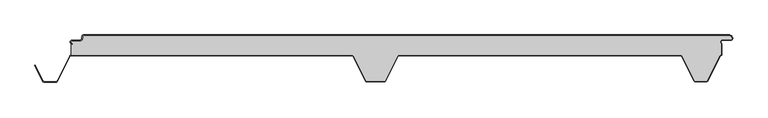
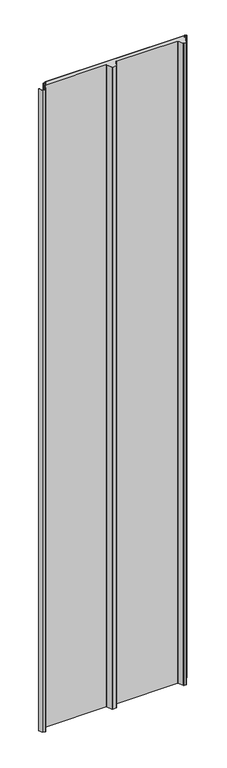
"""IFC4 building model written with IfcOpenShell, lengths in millimetres: proxy geometry."""

from ifc_helpers import new_model, si_unit, point, frame, frame_2d, origin, origin_with_axes, place, context, project, spatial, polyline, circle_curve, trimmed, segment, composite_curve, outline, extrude, source, transform, mapped, element, save
from ifc_brep_helpers import plane_surface, cylinder_surface, revolved_surface, advanced_brep


def generic_models_9d17c73b(model_context):
    return source(origin(), model_context, "Body", "SolidModel", [
        extrude(outline(composite_curve([segment(polyline([(548.7649646, -5.5), (547.9649646, -5.5)]), True, "CONTINUOUS"), segment(trimmed(circle_curve(frame_2d((543.2649646, -5.5)), 4.7), [point((547.9649646, -5.5))], [point((543.2649646, -0.8))], True, "CARTESIAN"), True, "CONTINUOUS"), segment(polyline([(543.2649646, -0.8), (-448.7436881, -0.8)]), True, "CONTINUOUS"), segment(trimmed(circle_curve(frame_2d((-448.7436881, -2.5)), 1.7), [point((-448.7436881, -0.8))], [point((-450.4436881, -2.5))], True, "CARTESIAN"), True, "CONTINUOUS"), segment(polyline([(-450.4436881, -2.5), (-450.4436881, -5.5)]), True, "CONTINUOUS"), segment(trimmed(circle_curve(frame_2d((-453.7436881, -5.5)), 3.3), [point((-450.4436881, -5.5))], [point((-453.7436881, -8.8))], False, "CARTESIAN"), True, "CONTINUOUS"), segment(polyline([(-453.7436881, -8.8), (-466.2436881, -8.8)]), True, "CONTINUOUS"), segment(trimmed(circle_curve(frame_2d((-466.2436881, -11.0)), 2.2), [point((-466.2436881, -8.8))], [point((-466.2436881, -13.2))], True, "CARTESIAN"), True, "CONTINUOUS"), segment(polyline([(-466.2436881, -13.2), (-466.2436881, -14.0)]), True, "CONTINUOUS"), segment(trimmed(circle_curve(frame_2d((-466.2436881, -11.0)), 3.0), [point((-466.2436881, -14.0))], [point((-466.2436881, -8.0))], False, "CARTESIAN"), True, "CONTINUOUS"), segment(polyline([(-466.2436881, -8.0), (-453.7436881, -8.0)]), True, "CONTINUOUS"), segment(trimmed(circle_curve(frame_2d((-453.7436881, -5.5)), 2.5), [point((-453.7436881, -8.0))], [point((-451.2436881, -5.5))], True, "CARTESIAN"), True, "CONTINUOUS"), segment(polyline([(-451.2436881, -5.5), (-451.2436881, -2.5)]), True, "CONTINUOUS"), segment(trimmed(circle_curve(frame_2d((-448.7436881, -2.5)), 2.5), [point((-451.2436881, -2.5))], [point((-448.7436881, 0.0))], False, "CARTESIAN"), True, "CONTINUOUS"), segment(polyline([(-448.7436881, 0.0), (543.2649646, 0.0)]), True, "CONTINUOUS"), segment(trimmed(circle_curve(frame_2d((543.2649646, -5.5)), 5.5), [point((543.2649646, 0.0))], [point((548.7649646, -5.5))], False, "CARTESIAN"), True, "CONTINUOUS")], self_intersect=False)), origin_with_axes(), (0.0, 0.0, 1.0), 4800.0),
        advanced_brep(
        [(-466.2436881, -13.2, 4800.0), (-466.2436881, -14.0, 4800.0), (-467.612692, -13.6694247, 4800.0), (-467.612692, -31.0, 4800.0), (-36.4222721, -31.0, 4800.0), (-33.6488557, -32.715023, 4800.0), (-14.9197036, -70.2201502, 4800.0), (-13.5777279, -71.05, 4800.0), (13.5777279, -71.05, 4800.0), (14.9197036, -70.2201502, 4800.0), (33.6488557, -32.715023, 4800.0), (36.4222721, -31.0, 4800.0), (468.5950334, -31.0, 4800.0), (471.3684498, -32.715023, 4800.0), (490.097602, -70.2201502, 4800.0), (491.4395777, -71.05, 4800.0), (508.577726, -71.05, 4800.0), (509.9186975, -70.2221572, 4800.0), (528.900782, -32.3523913, 4800.0), (531.587308, -30.2829331, 4800.0), (531.587308, -14.1201638, 4800.0), (533.7563119, -7.2, 4800.0), (546.2563119, -7.2, 4800.0), (547.9563119, -5.5, 4800.0), (543.2649646, -0.8, 4800.0), (-448.7436881, -0.8, 4800.0), (-450.4436881, -2.5, 4800.0), (-450.4436881, -5.5, 4800.0), (-453.7436881, -8.8, 4800.0), (-466.2436881, -8.8, 4800.0), (-466.2436881, -13.2, 0.0), (-466.2436881, -8.8, 0.0), (-453.7436881, -8.8, 0.0), (-450.4436881, -5.5, 0.0), (-450.4436881, -2.5, 0.0), (-448.7436881, -0.8, 0.0), (543.2649646, -0.8, 0.0), (547.9649646, -5.5, 0.0), (546.2563119, -7.2, 0.0), (533.7563119, -7.2, 0.0), (531.587308, -14.1201638, 0.0), (531.587308, -30.2829331, 0.0), (528.900782, -32.3523913, 0.0), (509.9186975, -70.2221572, 0.0), (508.577726, -71.05, 0.0), (491.4395777, -71.05, 0.0), (490.097602, -70.2201502, 0.0), (471.3684498, -32.715023, 0.0), (468.5950334, -31.0, 0.0), (36.4222721, -31.0, 0.0), (33.6488557, -32.715023, 0.0), (14.9197036, -70.2201502, 0.0), (13.5777279, -71.05, 0.0), (-13.5777279, -71.05, 0.0), (-14.9197036, -70.2201502, 0.0), (-33.6488557, -32.715023, 0.0), (-36.4222721, -31.0, 0.0), (-467.612692, -31.0, 0.0), (-467.612692, -13.6694247, 0.0), (-466.2436881, -14.0, 0.0)],
        [
            (0, 1),
            (1, 2, circle_curve(frame((-466.2436881, -11.0, 4800.0), z_axis=(0.0, 0.0, -1.0), x_axis=(1.0, 0.0, 0.0)), 3.0)),
            (2, 3),
            (3, 4),
            (4, 5, circle_curve(frame((-36.4222721, -34.1, 4800.0), z_axis=(0.0, 0.0, -1.0), x_axis=(1.0, 0.0, 0.0)), 3.1)),
            (5, 6),
            (6, 7, circle_curve(frame((-13.5777279, -69.55, 4800.0), z_axis=(0.0, 0.0, 1.0), x_axis=(1.0, 0.0, 0.0)), 1.5)),
            (7, 8),
            (8, 9, circle_curve(frame((13.5777279, -69.55, 4800.0), z_axis=(0.0, 0.0, 1.0), x_axis=(1.0, 0.0, 0.0)), 1.5)),
            (9, 10),
            (10, 11, circle_curve(frame((36.4222721, -34.1, 4800.0), z_axis=(0.0, 0.0, -1.0), x_axis=(1.0, 0.0, 0.0)), 3.1)),
            (11, 12),
            (12, 13, circle_curve(frame((468.5950334, -34.1, 4800.0), z_axis=(0.0, 0.0, -1.0), x_axis=(1.0, 0.0, 0.0)), 3.1)),
            (13, 14),
            (14, 15, circle_curve(frame((491.4395777, -69.55, 4800.0), z_axis=(0.0, 0.0, 1.0), x_axis=(1.0, 0.0, 0.0)), 1.5)),
            (15, 16),
            (16, 17, circle_curve(frame((508.577726, -69.55, 4800.0), z_axis=(0.0, 0.0, 1.0), x_axis=(1.0, 0.0, 0.0)), 1.5)),
            (17, 18),
            (18, 19, circle_curve(frame((532.387308, -34.1, 4800.0), z_axis=(0.0, 0.0, -1.0), x_axis=(1.0, 0.0, 0.0)), 3.9)),
            (19, 20),
            (20, 21, circle_curve(frame((533.7563119, -11.0, 4800.0), z_axis=(0.0, 0.0, -1.0), x_axis=(1.0, 0.0, 0.0)), 3.8)),
            (21, 22),
            (22, 23, circle_curve(frame((546.2563119, -5.5, 4800.0), z_axis=(0.0, 0.0, 1.0), x_axis=(1.0, 0.0, 0.0)), 1.7)),
            (23, 24, circle_curve(frame((543.2649646, -5.5, 4800.0), z_axis=(0.0, 0.0, 1.0), x_axis=(1.0, 0.0, 0.0)), 4.7)),
            (24, 25),
            (25, 26, circle_curve(frame((-448.7436881, -2.5, 4800.0), z_axis=(0.0, 0.0, 1.0), x_axis=(1.0, 0.0, 0.0)), 1.7)),
            (26, 27),
            (27, 28, circle_curve(frame((-453.7436881, -5.5, 4800.0), z_axis=(0.0, 0.0, -1.0), x_axis=(1.0, 0.0, 0.0)), 3.3)),
            (28, 29),
            (29, 0, circle_curve(frame((-466.2436881, -11.0, 4800.0), z_axis=(0.0, 0.0, 1.0), x_axis=(1.0, 0.0, 0.0)), 2.2)),
            (30, 31, circle_curve(frame((-466.2436881, -11.0, 0.0), z_axis=(0.0, 0.0, -1.0), x_axis=(1.0, 0.0, 0.0)), 2.2)),
            (31, 32),
            (32, 33, circle_curve(frame((-453.7436881, -5.5, 0.0), z_axis=(0.0, 0.0, 1.0), x_axis=(1.0, 0.0, 0.0)), 3.3)),
            (33, 34),
            (34, 35, circle_curve(frame((-448.7436881, -2.5, 0.0), z_axis=(0.0, 0.0, -1.0), x_axis=(1.0, 0.0, 0.0)), 1.7)),
            (35, 36),
            (36, 37, circle_curve(frame((543.2649646, -5.5, 0.0), z_axis=(0.0, 0.0, -1.0), x_axis=(1.0, 0.0, 0.0)), 4.7)),
            (37, 38, circle_curve(frame((546.2563119, -5.5, 0.0), z_axis=(0.0, 0.0, -1.0), x_axis=(1.0, 0.0, 0.0)), 1.7)),
            (38, 39),
            (39, 40, circle_curve(frame((533.7563119, -11.0, 0.0), z_axis=(0.0, 0.0, 1.0), x_axis=(1.0, 0.0, 0.0)), 3.8)),
            (40, 41),
            (41, 42, circle_curve(frame((532.387308, -34.1, 0.0), z_axis=(0.0, 0.0, 1.0), x_axis=(1.0, 0.0, 0.0)), 3.9)),
            (42, 43),
            (43, 44, circle_curve(frame((508.577726, -69.55, 0.0), z_axis=(0.0, 0.0, -1.0), x_axis=(1.0, 0.0, 0.0)), 1.5)),
            (44, 45),
            (45, 46, circle_curve(frame((491.4395777, -69.55, 0.0), z_axis=(0.0, 0.0, -1.0), x_axis=(1.0, 0.0, 0.0)), 1.5)),
            (46, 47),
            (47, 48, circle_curve(frame((468.5950334, -34.1, 0.0), z_axis=(0.0, 0.0, 1.0), x_axis=(1.0, 0.0, 0.0)), 3.1)),
            (48, 49),
            (49, 50, circle_curve(frame((36.4222721, -34.1, 0.0), z_axis=(0.0, 0.0, 1.0), x_axis=(1.0, 0.0, 0.0)), 3.1)),
            (50, 51),
            (51, 52, circle_curve(frame((13.5777279, -69.55, 0.0), z_axis=(0.0, 0.0, -1.0), x_axis=(1.0, 0.0, 0.0)), 1.5)),
            (52, 53),
            (53, 54, circle_curve(frame((-13.5777279, -69.55, 0.0), z_axis=(0.0, 0.0, -1.0), x_axis=(1.0, 0.0, 0.0)), 1.5)),
            (54, 55),
            (55, 56, circle_curve(frame((-36.4222721, -34.1, 0.0), z_axis=(0.0, 0.0, 1.0), x_axis=(1.0, 0.0, 0.0)), 3.1)),
            (56, 57),
            (57, 58),
            (58, 59, circle_curve(frame((-466.2436881, -11.0, 0.0), z_axis=(0.0, 0.0, 1.0), x_axis=(1.0, 0.0, 0.0)), 3.0)),
            (59, 30),
            (0, 30),
            (59, 1),
            (58, 2),
            (57, 3),
            (56, 4),
            (55, 5),
            (54, 6),
            (53, 7),
            (52, 8),
            (51, 9),
            (50, 10),
            (49, 11),
            (48, 12),
            (47, 13),
            (46, 14),
            (45, 15),
            (44, 16),
            (43, 17),
            (42, 18),
            (23, 37),
            (36, 24),
            (35, 25),
            (34, 26),
            (33, 27),
            (32, 28),
            (31, 29),
            (41, 19),
            (40, 20),
            (39, 21),
            (38, 22),
        ],
        [
            plane_surface(frame((-466.2436881, -14.0, 4800.0), z_axis=(0.0, 0.0, 1.0), x_axis=(0.0, -1.0, 0.0))),
            plane_surface(frame((-466.2436881, -14.0, 0.0), z_axis=(0.0, 0.0, -1.0), x_axis=(0.0, 1.0, 0.0))),
            plane_surface(frame((-466.2436881, -13.2, 4800.0), z_axis=(-1.0, 0.0, 0.0), x_axis=(0.0, 0.0, -1.0))),
            revolved_surface(polyline([(-463.2436881, -11.0, 0.0), (-463.2436881, -11.0, 4800.0)]), (-466.2436881, -11.0, 0.0), (0.0, 0.0, -1.0)),
            plane_surface(frame((-467.612692, -13.6694247, 4800.0), z_axis=(-1.0, 0.0, 0.0), x_axis=(0.0, 0.0, -1.0))),
            plane_surface(frame((-467.612692, -31.0, 4800.0), z_axis=(0.0, -1.0, 0.0), x_axis=(0.0, 0.0, -1.0))),
            revolved_surface(polyline([(-33.3222721, -34.1, 0.0), (-33.3222721, -34.1, 4800.0)]), (-36.4222721, -34.1, 0.0), (0.0, 0.0, -1.0)),
            plane_surface(frame((-33.6488557, -32.715023, 4800.0), z_axis=(-0.8946504628098966, -0.4467667729297223, 0.0), x_axis=(0.0, 0.0, -1.0))),
            cylinder_surface(frame((-13.5777279, -69.55, 0.0), z_axis=(0.0, 0.0, 1.0), x_axis=(1.0, 0.0, 0.0)), 1.5),
            plane_surface(frame((-13.5777279, -71.05, 4800.0), z_axis=(5.480851157301276e-12, -1.0, 0.0), x_axis=(0.0, 0.0, -1.0))),
            cylinder_surface(frame((13.5777279, -69.55, 0.0), z_axis=(0.0, 0.0, 1.0), x_axis=(1.0, 0.0, 0.0)), 1.5),
            plane_surface(frame((14.9197036, -70.2201502, 4800.0), z_axis=(0.894650462808013, -0.4467667729334942, 0.0), x_axis=(0.0, 0.0, -1.0))),
            revolved_surface(polyline([(39.5222721, -34.1, 0.0), (39.5222721, -34.1, 4800.0)]), (36.4222721, -34.1, 0.0), (0.0, 0.0, -1.0)),
            plane_surface(frame((36.4222721, -31.0, 4800.0), z_axis=(0.0, -1.0, 0.0), x_axis=(0.0, 0.0, -1.0))),
            revolved_surface(polyline([(471.6950334, -34.1, 0.0), (471.6950334, -34.1, 4800.0)]), (468.5950334, -34.1, 0.0), (0.0, 0.0, -1.0)),
            plane_surface(frame((471.3684498, -32.715023, 4800.0), z_axis=(-0.8946504628065555, -0.44676677293641287, 0.0), x_axis=(0.0, 0.0, -1.0))),
            cylinder_surface(frame((491.4395777, -69.55, 0.0), z_axis=(0.0, 0.0, 1.0), x_axis=(1.0, 0.0, 0.0)), 1.5),
            plane_surface(frame((491.4395777, -71.05, 4800.0), z_axis=(0.0, -1.0, 0.0), x_axis=(0.0, 0.0, -1.0))),
            cylinder_surface(frame((508.577726, -69.55, 0.0), z_axis=(0.0, 0.0, 1.0), x_axis=(1.0, 0.0, 0.0)), 1.5),
            plane_surface(frame((509.9186975, -70.2221572, 4800.0), z_axis=(0.8939810379181881, -0.44810479114010754, 0.0), x_axis=(0.0, 0.0, -1.0))),
            cylinder_surface(frame((543.2649646, -5.5, 0.0), z_axis=(0.0, 0.0, 1.0), x_axis=(1.0, 0.0, 0.0)), 4.7),
            plane_surface(frame((543.2649646, -0.8, 4800.0), z_axis=(0.0, 1.0, 0.0), x_axis=(0.0, 0.0, -1.0))),
            cylinder_surface(frame((-448.7436881, -2.5, 0.0), z_axis=(0.0, 0.0, 1.0), x_axis=(1.0, 0.0, 0.0)), 1.7),
            plane_surface(frame((-450.4436881, -2.5, 4800.0), z_axis=(-1.0, 0.0, 0.0), x_axis=(0.0, 0.0, -1.0))),
            revolved_surface(polyline([(-450.4436881, -5.5, 0.0), (-450.4436881, -5.5, 4800.0)]), (-453.7436881, -5.5, 0.0), (0.0, 0.0, -1.0)),
            plane_surface(frame((-453.7436881, -8.8, 4800.0), z_axis=(0.0, 1.0, 0.0), x_axis=(0.0, 0.0, -1.0))),
            cylinder_surface(frame((-466.2436881, -11.0, 0.0), z_axis=(0.0, 0.0, 1.0), x_axis=(1.0, 0.0, 0.0)), 2.2),
            revolved_surface(polyline([(536.2873079999999, -34.1, 0.0), (536.2873079999999, -34.1, 4800.0)]), (532.387308, -34.1, 0.0), (0.0, 0.0, -1.0)),
            plane_surface(frame((531.587308, -30.2829331, 4800.0), z_axis=(1.0, 0.0, 0.0), x_axis=(0.0, 0.0, -1.0))),
            revolved_surface(polyline([(537.5563119, -11.0, 0.0), (537.5563119, -11.0, 4800.0)]), (533.7563119, -11.0, 0.0), (0.0, 0.0, -1.0)),
            plane_surface(frame((533.7563119, -7.2, 4800.0), z_axis=(0.0, -1.0, 0.0), x_axis=(0.0, 0.0, -1.0))),
            cylinder_surface(frame((546.2563119, -5.5, 0.0), z_axis=(0.0, 0.0, 1.0), x_axis=(1.0, 0.0, 0.0)), 1.7),
        ],
        [
            (0, [[1, 2, 3, 4, 5, 6, 7, 8, 9, 10, 11, 12, 13, 14, 15, 16, 17, 18, 19, 20, 21, 22, 23, 24, 25, 26, 27, 28, 29, 30]]),
            (1, [[31, 32, 33, 34, 35, 36, 37, 38, 39, 40, 41, 42, 43, 44, 45, 46, 47, 48, 49, 50, 51, 52, 53, 54, 55, 56, 57, 58, 59, 60]]),
            (2, [[-1, 61, -60, 62]]),
            (3, [[-2, -62, -59, 63]]),
            (4, [[-3, -63, -58, 64]]),
            (5, [[-4, -64, -57, 65]]),
            (6, [[-5, -65, -56, 66]]),
            (7, [[-6, -66, -55, 67]]),
            (8, [[-7, -67, -54, 68]]),
            (9, [[-8, -68, -53, 69]]),
            (10, [[-9, -69, -52, 70]]),
            (11, [[-10, -70, -51, 71]]),
            (12, [[-11, -71, -50, 72]]),
            (13, [[-12, -72, -49, 73]]),
            (14, [[-13, -73, -48, 74]]),
            (15, [[-14, -74, -47, 75]]),
            (16, [[-15, -75, -46, 76]]),
            (17, [[-16, -76, -45, 77]]),
            (18, [[-17, -77, -44, 78]]),
            (19, [[-18, -78, -43, 79]]),
            (20, [[-24, 80, -37, 81]]),
            (21, [[-25, -81, -36, 82]]),
            (22, [[-26, -82, -35, 83]]),
            (23, [[-27, -83, -34, 84]]),
            (24, [[-28, -84, -33, 85]]),
            (25, [[-29, -85, -32, 86]]),
            (26, [[-30, -86, -31, -61]]),
            (27, [[-19, -79, -42, 87]]),
            (28, [[-20, -87, -41, 88]]),
            (29, [[-21, -88, -40, 89]]),
            (30, [[-22, -89, -39, 90]]),
            (31, [[-23, -90, -38, -80]]),
        ],
    ),
        extrude(outline(composite_curve([segment(polyline([(-523.5365904, -46.7174495), (-522.82087, -46.3600361), (-510.4107041, -71.2113932)]), True, "CONTINUOUS"), segment(trimmed(circle_curve(frame_2d((-509.0687284, -70.541243)), 1.5), [point((-510.4107041, -71.2113932))], [point((-509.0687284, -72.041243))], True, "CARTESIAN"), True, "CONTINUOUS"), segment(polyline([(-509.0687284, -72.041243), (-490.9312716, -72.041243)]), True, "CONTINUOUS"), segment(trimmed(circle_curve(frame_2d((-490.9312716, -70.541243)), 1.5), [point((-490.9312716, -72.041243))], [point((-489.5890038, -71.210808))], True, "CARTESIAN"), True, "CONTINUOUS"), segment(polyline([(-489.5890038, -71.210808), (-470.3867121, -32.7162325)]), True, "CONTINUOUS"), segment(trimmed(circle_curve(frame_2d((-467.612692, -34.1)), 3.1), [point((-470.3867121, -32.7162325))], [point((-467.612692, -31.0))], False, "CARTESIAN"), True, "CONTINUOUS"), segment(polyline([(-467.612692, -31.0), (-36.4222721, -31.0)]), True, "CONTINUOUS"), segment(trimmed(circle_curve(frame_2d((-36.4222721, -34.1)), 3.1), [point((-36.4222721, -31.0))], [point((-33.6488557, -32.715023))], False, "CARTESIAN"), True, "CONTINUOUS"), segment(polyline([(-33.6488557, -32.715023), (-14.9197036, -70.2201502)]), True, "CONTINUOUS"), segment(trimmed(circle_curve(frame_2d((-13.5777279, -69.55)), 1.5), [point((-14.9197036, -70.2201502))], [point((-13.5777279, -71.05))], True, "CARTESIAN"), True, "CONTINUOUS"), segment(polyline([(-13.5777279, -71.05), (13.5777279, -71.05)]), True, "CONTINUOUS"), segment(trimmed(circle_curve(frame_2d((13.5777279, -69.55)), 1.5), [point((13.5777279, -71.05))], [point((14.9197036, -70.2201502))], True, "CARTESIAN"), True, "CONTINUOUS"), segment(polyline([(14.9197036, -70.2201502), (33.6488557, -32.715023)]), True, "CONTINUOUS"), segment(trimmed(circle_curve(frame_2d((36.4222721, -34.1)), 3.1), [point((33.6488557, -32.715023))], [point((36.4222721, -31.0))], False, "CARTESIAN"), True, "CONTINUOUS"), segment(polyline([(36.4222721, -31.0), (468.5950334, -31.0)]), True, "CONTINUOUS"), segment(trimmed(circle_curve(frame_2d((468.5950334, -34.1)), 3.1), [point((468.5950334, -31.0))], [point((471.3684498, -32.715023))], False, "CARTESIAN"), True, "CONTINUOUS"), segment(polyline([(471.3684498, -32.715023), (490.097602, -70.2201502)]), True, "CONTINUOUS"), segment(trimmed(circle_curve(frame_2d((491.4395777, -69.55)), 1.5), [point((490.097602, -70.2201502))], [point((491.4395777, -71.05))], True, "CARTESIAN"), True, "CONTINUOUS"), segment(polyline([(491.4395777, -71.05), (508.577725, -71.05)]), True, "CONTINUOUS"), segment(trimmed(circle_curve(frame_2d((508.577725, -69.55)), 1.5), [point((508.577725, -71.05))], [point((509.9186965, -70.2221572))], True, "CARTESIAN"), True, "CONTINUOUS"), segment(polyline([(509.9186965, -70.2221572), (528.900782, -32.3523912)]), True, "CONTINUOUS"), segment(trimmed(circle_curve(frame_2d((532.387308, -34.1)), 3.9), [point((528.900782, -32.3523912))], [point((531.587308, -30.2829331))], False, "CARTESIAN"), True, "CONTINUOUS"), segment(polyline([(531.587308, -30.2829331), (531.587308, -14.1201638)]), True, "CONTINUOUS"), segment(trimmed(circle_curve(frame_2d((533.7563119, -11.0)), 3.8), [point((531.587308, -14.1201638))], [point((533.7563119, -7.2))], False, "CARTESIAN"), True, "CONTINUOUS"), segment(polyline([(533.7563119, -7.2), (546.2563119, -7.2)]), True, "CONTINUOUS"), segment(trimmed(circle_curve(frame_2d((546.2563119, -5.5)), 1.7), [point((546.2563119, -7.2))], [point((547.9563119, -5.5))], True, "CARTESIAN"), True, "CONTINUOUS"), segment(polyline([(547.9563119, -5.5), (548.7563119, -5.5)]), True, "CONTINUOUS"), segment(trimmed(circle_curve(frame_2d((546.2563119, -5.5)), 2.5), [point((548.7563119, -5.5))], [point((546.2563119, -8.0))], False, "CARTESIAN"), True, "CONTINUOUS"), segment(polyline([(546.2563119, -8.0), (533.7563119, -8.0)]), True, "CONTINUOUS"), segment(trimmed(circle_curve(frame_2d((533.7563119, -11.0)), 3.0), [point((533.7563119, -8.0))], [point((532.387308, -13.6694247))], True, "CARTESIAN"), True, "CONTINUOUS"), segment(polyline([(532.387308, -13.6694247), (532.387308, -31.0)]), True, "CONTINUOUS"), segment(trimmed(circle_curve(frame_2d((532.387308, -34.1)), 3.1), [point((532.387308, -31.0))], [point((529.6159668, -32.7108751))], True, "CARTESIAN"), True, "CONTINUOUS"), segment(polyline([(529.6159668, -32.7108751), (510.6338814, -70.5806411)]), True, "CONTINUOUS"), segment(trimmed(circle_curve(frame_2d((508.577725, -69.55)), 2.3), [point((510.6338814, -70.5806411))], [point((508.577725, -71.85))], False, "CARTESIAN"), True, "CONTINUOUS"), segment(polyline([(508.577725, -71.85), (491.4395777, -71.85)]), True, "CONTINUOUS"), segment(trimmed(circle_curve(frame_2d((491.4395777, -69.55)), 2.3), [point((491.4395777, -71.85))], [point((489.3818816, -70.5775636))], False, "CARTESIAN"), True, "CONTINUOUS"), segment(polyline([(489.3818816, -70.5775636), (470.6527295, -33.0724364)]), True, "CONTINUOUS"), segment(trimmed(circle_curve(frame_2d((468.5950334, -34.1)), 2.3), [point((470.6527295, -33.0724364))], [point((468.5950334, -31.8))], True, "CARTESIAN"), True, "CONTINUOUS"), segment(polyline([(468.5950334, -31.8), (36.4222721, -31.8)]), True, "CONTINUOUS"), segment(trimmed(circle_curve(frame_2d((36.4222721, -34.1)), 2.3), [point((36.4222721, -31.8))], [point((34.3645761, -33.0724364))], True, "CARTESIAN"), True, "CONTINUOUS"), segment(polyline([(34.3645761, -33.0724364), (15.6354239, -70.5775636)]), True, "CONTINUOUS"), segment(trimmed(circle_curve(frame_2d((13.5777279, -69.55)), 2.3), [point((15.6354239, -70.5775636))], [point((13.5777279, -71.85))], False, "CARTESIAN"), True, "CONTINUOUS"), segment(polyline([(13.5777279, -71.85), (-13.5777279, -71.85)]), True, "CONTINUOUS"), segment(trimmed(circle_curve(frame_2d((-13.5777279, -69.55)), 2.3), [point((-13.5777279, -71.85))], [point((-15.6354239, -70.5775636))], False, "CARTESIAN"), True, "CONTINUOUS"), segment(polyline([(-15.6354239, -70.5775636), (-34.3645761, -33.0724364)]), True, "CONTINUOUS"), segment(trimmed(circle_curve(frame_2d((-36.4222721, -34.1)), 2.3), [point((-34.3645761, -33.0724364))], [point((-36.4222721, -31.8))], True, "CARTESIAN"), True, "CONTINUOUS"), segment(polyline([(-36.4222721, -31.8), (-467.612692, -31.8)]), True, "CONTINUOUS"), segment(trimmed(circle_curve(frame_2d((-467.612692, -34.1)), 2.3), [point((-467.612692, -31.8))], [point((-469.6708359, -33.0733338))], True, "CARTESIAN"), True, "CONTINUOUS"), segment(polyline([(-469.6708359, -33.0733338), (-488.8731276, -71.5679093)]), True, "CONTINUOUS"), segment(trimmed(circle_curve(frame_2d((-490.9312716, -70.541243)), 2.3), [point((-488.8731276, -71.5679093))], [point((-490.9312716, -72.841243))], False, "CARTESIAN"), True, "CONTINUOUS"), segment(polyline([(-490.9312716, -72.841243), (-509.0687284, -72.841243)]), True, "CONTINUOUS"), segment(trimmed(circle_curve(frame_2d((-509.0687284, -70.541243)), 2.3), [point((-509.0687284, -72.841243))], [point((-511.1264245, -71.5688066))], False, "CARTESIAN"), True, "CONTINUOUS"), segment(polyline([(-511.1264245, -71.5688066), (-523.5365904, -46.7174495)]), True, "CONTINUOUS")], self_intersect=False)), origin_with_axes(), (0.0, 0.0, 1.0), 4800.0),
    ])


if __name__ == "__main__":
    model = new_model("IFC4")
    model_context = context("Model", 3, world=origin())
    ifc_project = project(units=[si_unit("LENGTHUNIT", "METRE", prefix="MILLI")], contexts=[model_context])
    site = spatial("IfcSite", under=ifc_project)
    building = spatial("IfcBuilding", under=site)
    placement = place(None, origin())
    generic_models_shape = generic_models_9d17c73b(model_context)
    element("IfcBuildingElementProxy", 1, Name="Generic Models", at=placement, inside=building, context=model_context, shape_type="MappedRepresentation", body=[
        mapped(generic_models_shape, transform((0.0, 0.0, 0.0), x_axis=(1.0, 0.0, 0.0), y_axis=(0.0, 1.0, 0.0), z_axis=(0.0, 0.0, 1.0))),
    ])
    save(model, "model.ifc")
